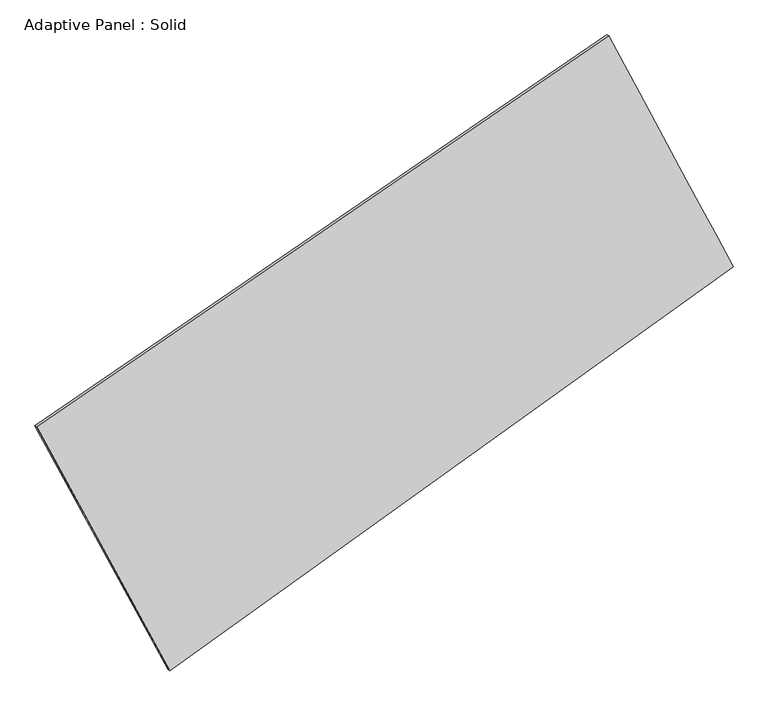
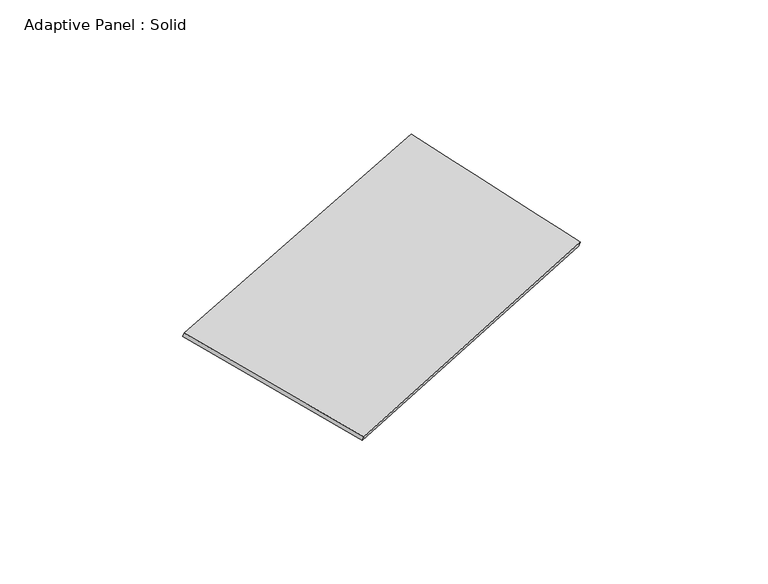
"""IFC4 building model written with IfcOpenShell, lengths in millimetres: plate geometry, Adaptive Panel : Solid."""

from ifc_helpers import new_model, si_unit, frame, origin, place, context, project, spatial, source, transform, mapped, element, save
from ifc_brep_helpers import plane_surface, spline_surface, advanced_brep


def adaptive_panel_solid_7f48c4e4(model_context):
    return source(origin(), model_context, "Body", "AdvancedBrep", [
        advanced_brep(
        [(1216.8697556, 2549.1787994, 684.4934928), (-3604.7674845, -746.885953, 1665.4979421), (-3590.1011287, -753.2660465, 1712.8708502), (1231.5361114, 2542.7987059, 731.8664008), (-2482.4458509, -2804.6267468, 1107.2010838), (-2467.7794951, -2811.0068403, 1154.5739918), (2267.0530017, 602.0853276, 27.9300015), (2281.7193576, 595.7052342, 75.3029095)],
        [
            (0, 1),
            (1, 2),
            (2, 3),
            (3, 0),
            (1, 4),
            (4, 5),
            (5, 2),
            (4, 6),
            (6, 7),
            (7, 5),
            (6, 0),
            (3, 7),
        ],
        [
            plane_surface(frame((-1193.9488645, 901.1464232, 1174.9957174), z_axis=(-0.5061953836713889, 0.8199980102184826, 0.26715070051846174), x_axis=(-0.814138288925948, -0.5565438427043454, 0.1656435862103047))),
            plane_surface(frame((-3043.6066677, -1775.7563499, 1386.349513), z_axis=(-0.8389981837335891, -0.5094597773312843, 0.19113550945153296), x_axis=(0.46579394526559625, -0.8540182902692937, -0.23170835211408236))),
            plane_surface(frame((-107.6964246, -1101.2707096, 567.5655427), z_axis=(0.5199034344329752, -0.8103983326992479, -0.27010176086630056), x_axis=(0.7990734641648777, 0.5731579905995612, -0.18158060656197647))),
            plane_surface(frame((1741.9613786, 1575.6320635, 356.2117471), z_axis=(0.8360748409300028, 0.5148462972936314, -0.18950501451652518), x_axis=(-0.4550926667144522, 0.8437650892333506, 0.2845191362523173))),
            spline_surface(1, 1, [[(-3590.1011287, -753.2660465, 1712.8708502), (1231.5361114, 2542.7987059, 731.8664008)], [(-2467.7794951, -2811.0068403, 1154.5739918), (2281.7193576, 595.7052342, 75.3029095)]], [2, 2], [2, 2], [0.0, 1.0], [0.0, 1.0]),
            spline_surface(1, 1, [[(2267.0530017, 602.0853276, 27.9300015), (1216.8697556, 2549.1787994, 684.4934928)], [(-2482.4458509, -2804.6267468, 1107.2010838), (-3604.7674845, -746.885953, 1665.4979421)]], [2, 2], [2, 2], [0.0, 1.0], [0.0, 1.0]),
        ],
        [
            (0, [[1, 2, 3, 4]]),
            (1, [[5, 6, 7, -2]]),
            (2, [[8, 9, 10, -6]]),
            (3, [[11, -4, 12, -9]]),
            (4, [[-3, -7, -10, -12]]),
            (5, [[-11, -8, -5, -1]]),
        ],
    ),
    ])


if __name__ == "__main__":
    model = new_model("IFC4")
    model_context = context("Model", 3, world=origin())
    ifc_project = project(units=[si_unit("LENGTHUNIT", "METRE", prefix="MILLI")], contexts=[model_context])
    site = spatial("IfcSite", under=ifc_project)
    building = spatial("IfcBuilding", under=site)
    placement = place(None, origin())
    adaptive_panel_solid_shape = adaptive_panel_solid_7f48c4e4(model_context)
    element("IfcPlate", 1, ObjectType="Adaptive Panel : Solid", at=placement, inside=building, context=model_context, shape_type="MappedRepresentation", body=[
        mapped(adaptive_panel_solid_shape, transform((0.0, 0.0, 0.0), x_axis=(1.0, 0.0, 0.0), y_axis=(0.0, 1.0, 0.0), z_axis=(0.0, 0.0, 1.0))),
    ])
    save(model, "model.ifc")
